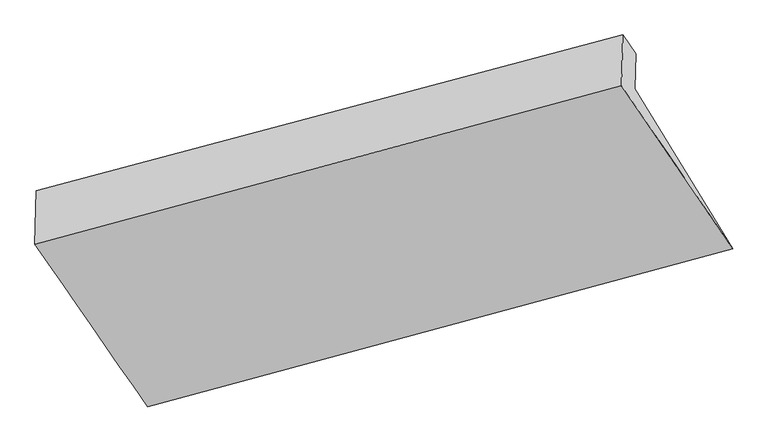
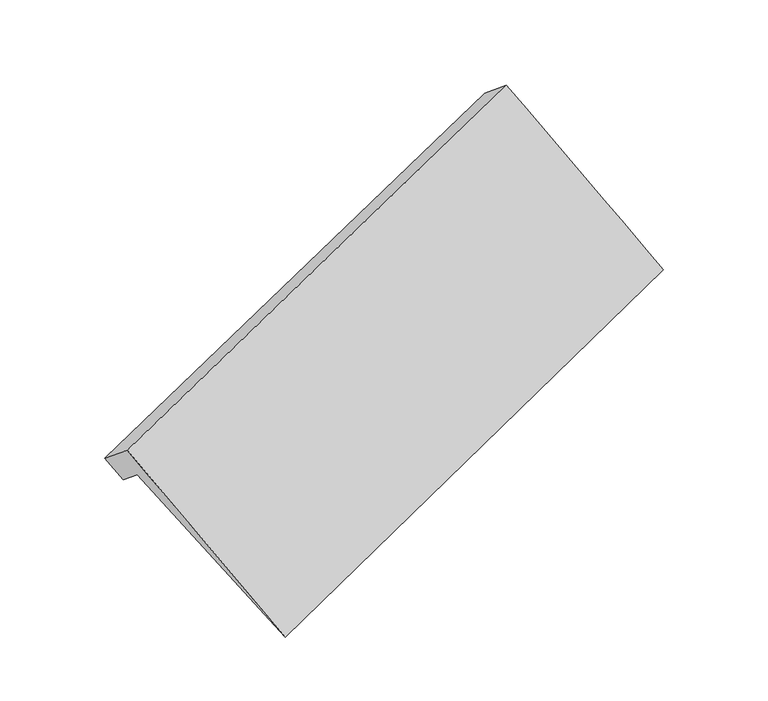
"""IFC4 building model written with IfcOpenShell, lengths in millimetres: proxy geometry."""

from ifc_helpers import new_model, si_unit, frame, origin, place, context, project, spatial, source, transform, mapped, element, save
from ifc_brep_helpers import plane_surface, spline_surface, advanced_brep


def generic_models_41a2ec50(model_context):
    return source(origin(), model_context, "Body", "AdvancedBrep", [
        advanced_brep(
        [(-5376.093326, -1585.4511733, 1326.5135364), (-5385.8902764, -2002.4130814, 1669.1020674), (-778.0217981, -761.2316552, 3261.0100742), (-768.6250926, -361.3043224, 2932.4176661), (-5274.0732796, -1734.8022178, 1147.6569618), (-666.6050463, -510.6553669, 2753.5610915), (-5277.1919732, -1867.5349916, 1256.7142284), (-669.8144959, -647.2507533, 2865.7919976), (-5280.3106667, -2000.2677654, 1365.7714951), (-673.0239455, -783.8461396, 2978.0229037), (-4501.4926484, -3279.496057, 105.3248025), (93.9434446, -2037.7348961, 1732.3230944)],
        [
            (0, 1),
            (1, 2),
            (2, 3),
            (3, 0),
            (4, 0),
            (3, 5),
            (5, 4),
            (6, 4),
            (5, 7),
            (7, 6),
            (8, 6),
            (7, 9),
            (9, 8),
            (10, 8),
            (9, 11),
            (11, 10),
            (1, 10),
            (11, 2),
        ],
        [
            plane_surface(frame((-5380.9918012, -1793.9321274, 1497.8078019), z_axis=(-0.4010713448113263, 0.5871436685777142, 0.703138740804642), x_axis=(-0.01815121385936686, -0.7725225144291938, 0.6347278929867723))),
            plane_surface(frame((-5325.0833028, -1660.1266956, 1237.0852491), z_axis=(0.016330560562893615, 0.7720403063780421, -0.6353637368621228), x_axis=(-0.40107134481134493, 0.5871436685776951, 0.7031387408046474))),
            plane_surface(frame((-5275.6326264, -1801.1686047, 1202.1855951), z_axis=(0.4010713448113272, -0.5871436685777135, -0.7031387408046421), x_axis=(0.01815121385936714, 0.7725225144291943, -0.6347278929867718))),
            plane_surface(frame((-5278.7513199, -1933.9013785, 1311.2428617), z_axis=(0.40107134481132717, -0.587143668577714, -0.7031387408046418), x_axis=(0.018151213859366987, 0.7725225144291938, -0.6347278929867725))),
            spline_surface(1, 1, [[(-4501.4926484, -3279.496057, 105.3248025), (93.9434446, -2037.7348961, 1732.3230944)], [(-5280.3106667, -2000.2677654, 1365.7714951), (-673.0239455, -783.8461396, 2978.0229037)]], [2, 2], [2, 2], [0.0, 1.0], [0.0, 1.0]),
            spline_surface(1, 1, [[(-5385.8902764, -2002.4130814, 1669.1020674), (-778.0217981, -761.2316552, 3261.0100742)], [(-4501.4926484, -3279.496057, 105.3248025), (93.9434446, -2037.7348961, 1732.3230944)]], [2, 2], [2, 2], [0.0, 1.0], [0.0, 1.0]),
            plane_surface(frame((-558.4664876, -890.954476, 2731.466966), z_axis=(0.9158669716758276, 0.2418083479723249, 0.32049401405368555), x_axis=(0.018151213859367063, 0.7725225144291941, -0.6347278929867721))),
            plane_surface(frame((-5163.5720394, -2120.486059, 1122.8737726), z_axis=(-0.9158669716758309, -0.2418083479723217, -0.32049401405367833), x_axis=(0.018151213859366133, 0.772522514429192, -0.6347278929867747))),
        ],
        [
            (0, [[1, 2, 3, 4]]),
            (1, [[5, -4, 6, 7]]),
            (2, [[8, -7, 9, 10]]),
            (3, [[11, -10, 12, 13]]),
            (4, [[14, -13, 15, 16]]),
            (5, [[17, -16, 18, -2]]),
            (6, [[-12, -9, -6, -3, -18, -15]]),
            (7, [[-1, -5, -8, -11, -14, -17]]),
        ],
    ),
    ])


if __name__ == "__main__":
    model = new_model("IFC4")
    model_context = context("Model", 3, world=origin())
    ifc_project = project(units=[si_unit("LENGTHUNIT", "METRE", prefix="MILLI")], contexts=[model_context])
    site = spatial("IfcSite", under=ifc_project)
    building = spatial("IfcBuilding", under=site)
    placement = place(None, origin())
    generic_models_shape = generic_models_41a2ec50(model_context)
    element("IfcBuildingElementProxy", 1, Name="Generic Models", at=placement, inside=building, context=model_context, shape_type="MappedRepresentation", body=[
        mapped(generic_models_shape, transform((0.0, 0.0, 0.0), x_axis=(1.0, 0.0, 0.0), y_axis=(0.0, 1.0, 0.0), z_axis=(0.0, 0.0, 1.0))),
    ])
    save(model, "model.ifc")
